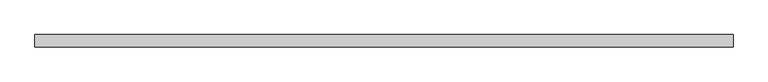
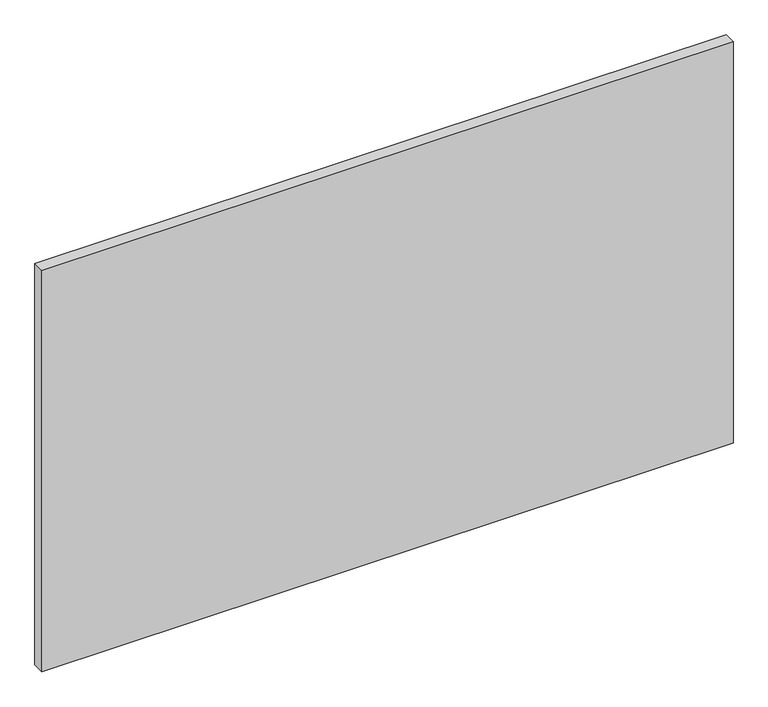
"""IFC4 building model written with IfcOpenShell, lengths in millimetres: plate geometry."""

from ifc_helpers import new_model, si_unit, origin, origin_with_axes, place, context, project, spatial, polyline, outline, extrude, source, transform, mapped, element, save


def plate_31d2c7fd(model_context):
    return source(origin(), model_context, "Body", "SweptSolid", [
        extrude(outline(polyline([(712.5, 24.5), (-712.5, 24.5), (-712.5, 49.5), (712.5, 49.5), (712.5, 24.5)])), origin_with_axes(), (0.0, 0.0, 1.0), 875.0),
    ])


if __name__ == "__main__":
    model = new_model("IFC4")
    model_context = context("Model", 3, world=origin())
    ifc_project = project(units=[si_unit("LENGTHUNIT", "METRE", prefix="MILLI")], contexts=[model_context])
    site = spatial("IfcSite", under=ifc_project)
    building = spatial("IfcBuilding", under=site)
    placement = place(None, origin())
    plate_shape = plate_31d2c7fd(model_context)
    element("IfcPlate", 1, at=placement, inside=building, context=model_context, shape_type="MappedRepresentation", body=[
        mapped(plate_shape, transform((0.0, 0.0, 0.0), x_axis=(1.0, 0.0, 0.0), y_axis=(0.0, 1.0, 0.0), z_axis=(0.0, 0.0, 1.0))),
    ])
    save(model, "model.ifc")
